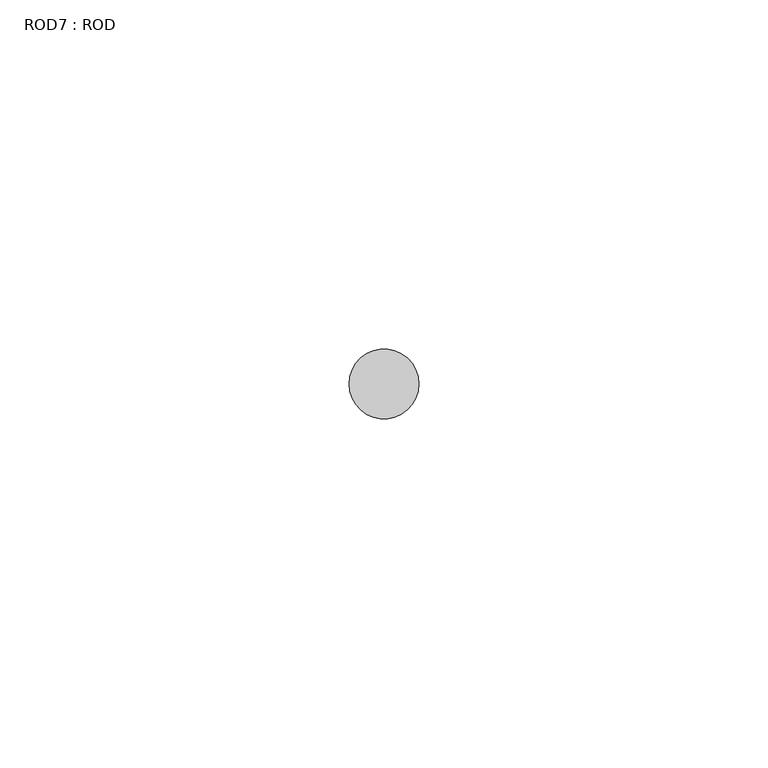
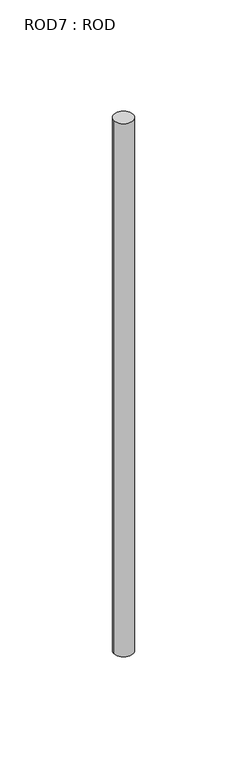
"""IFC4 building model written with IfcOpenShell, lengths in millimetres: proxy geometry, ROD7 : ROD."""

from ifc_helpers import new_model, si_unit, point, frame, frame_2d, origin, place, context, project, spatial, circle_curve, trimmed, segment, composite_curve, outline, extrude, source, transform, mapped, element, save


def rod7_rod_282b2828(model_context):
    return source(origin(), model_context, "Body", "SweptSolid", [
        extrude(outline(composite_curve([segment(trimmed(circle_curve(frame_2d((-10320.2326676, -1114.6300853)), 5.0), [point((-10325.2326676, -1114.6300853))], [point((-10315.2326676, -1114.6300853))], False, "CARTESIAN"), True, "CONTINUOUS"), segment(trimmed(circle_curve(frame_2d((-10320.2326676, -1114.6300853)), 5.0), [point((-10315.2326676, -1114.6300853))], [point((-10325.2326676, -1114.6300853))], False, "CARTESIAN"), True, "CONTINUOUS")], self_intersect=False)), frame((0.0, 0.0, -208.6608845), z_axis=(0.0, 0.0, 1.0), x_axis=(1.0, 0.0, 0.0)), (0.0, 0.0, 1.0), 298.9028972),
    ])


if __name__ == "__main__":
    model = new_model("IFC4")
    model_context = context("Model", 3, world=origin())
    ifc_project = project(units=[si_unit("LENGTHUNIT", "METRE", prefix="MILLI")], contexts=[model_context])
    site = spatial("IfcSite", under=ifc_project)
    building = spatial("IfcBuilding", under=site)
    placement = place(None, origin())
    rod7_rod_shape = rod7_rod_282b2828(model_context)
    element("IfcBuildingElementProxy", 1, Name="ROD7 : ROD", ObjectType="ROD7 : ROD", at=placement, inside=building, context=model_context, shape_type="MappedRepresentation", body=[
        mapped(rod7_rod_shape, transform((0.0, 0.0, 0.0), x_axis=(1.0, 0.0, 0.0), y_axis=(0.0, 1.0, 0.0), z_axis=(0.0, 0.0, 1.0))),
    ])
    save(model, "model.ifc")
